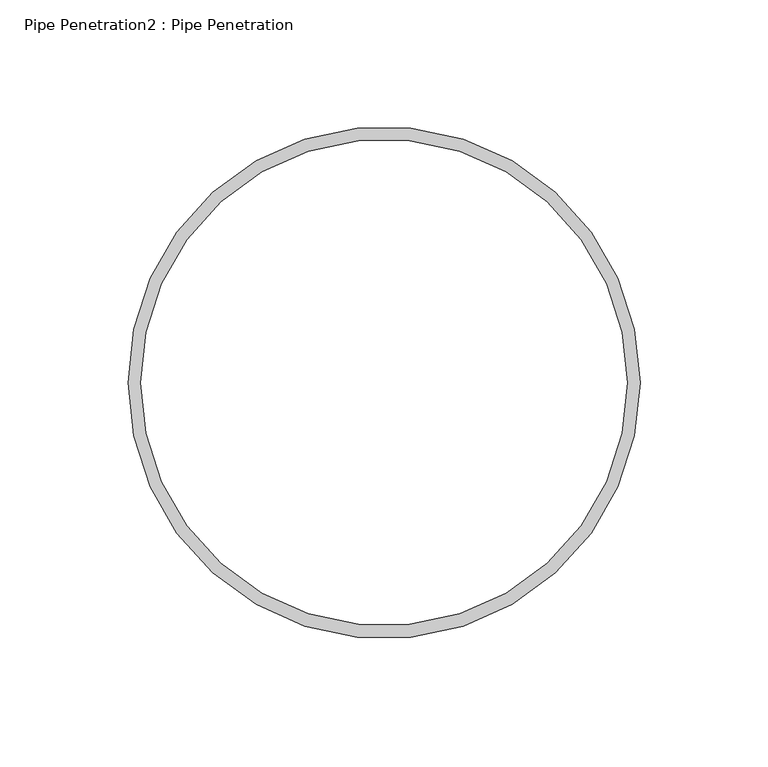
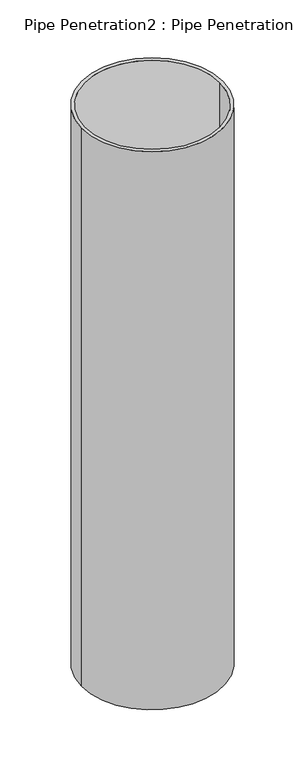
"""IFC4 building model written with IfcOpenShell, lengths in millimetres: furniture geometry, Pipe Penetration2 : Pipe Penetration."""

from ifc_helpers import new_model, si_unit, point, frame, frame_2d, origin, place, context, project, spatial, circle_curve, trimmed, segment, composite_curve, outline, extrude, source, transform, mapped, element, save


def pipe_penetration2_pipe_penetration_94ec12c2(model_context):
    return source(origin(), model_context, "Body", "SweptSolid", [
        extrude(outline(composite_curve([segment(trimmed(circle_curve(frame_2d((38192.6228888, -8416.4751597)), 100.0), [point((38092.6228888, -8416.4751597))], [point((38292.6228888, -8416.4751597))], False, "CARTESIAN"), True, "CONTINUOUS"), segment(trimmed(circle_curve(frame_2d((38192.6228888, -8416.4751597)), 100.0), [point((38292.6228888, -8416.4751597))], [point((38092.6228888, -8416.4751597))], False, "CARTESIAN"), True, "CONTINUOUS")], self_intersect=False), holes=[composite_curve([segment(trimmed(circle_curve(frame_2d((38192.6228888, -8416.4751597)), 95.0), [point((38097.6228888, -8416.4751597))], [point((38287.6228888, -8416.4751597))], True, "CARTESIAN"), True, "CONTINUOUS"), segment(trimmed(circle_curve(frame_2d((38192.6228888, -8416.4751597)), 95.0), [point((38287.6228888, -8416.4751597))], [point((38097.6228888, -8416.4751597))], True, "CARTESIAN"), True, "CONTINUOUS")], self_intersect=False)]), frame((0.0, 0.0, 5644.9260593), z_axis=(0.0, 0.0, 1.0), x_axis=(1.0, 0.0, 0.0)), (0.0, 0.0, 1.0), 832.5412755),
    ])


if __name__ == "__main__":
    model = new_model("IFC4")
    model_context = context("Model", 3, world=origin())
    ifc_project = project(units=[si_unit("LENGTHUNIT", "METRE", prefix="MILLI")], contexts=[model_context])
    site = spatial("IfcSite", under=ifc_project)
    building = spatial("IfcBuilding", under=site)
    placement = place(None, origin())
    pipe_penetration2_pipe_penetration_shape = pipe_penetration2_pipe_penetration_94ec12c2(model_context)
    element("IfcFurniture", 1, ObjectType="Pipe Penetration2 : Pipe Penetration", at=placement, inside=building, context=model_context, shape_type="MappedRepresentation", body=[
        mapped(pipe_penetration2_pipe_penetration_shape, transform((0.0, 0.0, 0.0), x_axis=(1.0, 0.0, 0.0), y_axis=(0.0, 1.0, 0.0), z_axis=(0.0, 0.0, 1.0))),
    ])
    save(model, "model.ifc")
